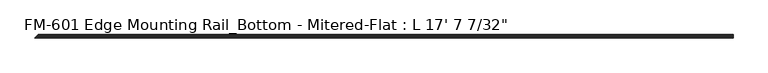
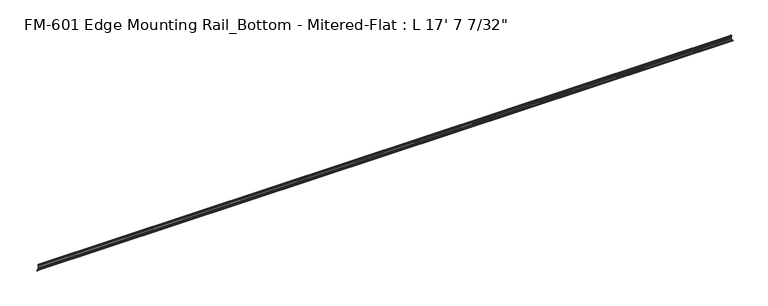
"""IFC4 building model written with IfcOpenShell, lengths in millimetres: proxy geometry."""

from ifc_helpers import new_model, si_unit, frame, origin, place, context, project, spatial, polyline, circle_curve, ellipse_curve, source, transform, mapped, element, save
from ifc_brep_helpers import plane_surface, cylinder_surface, revolved_surface, advanced_brep


def proxy_05e19847(model_context):
    return source(origin(), model_context, "Body", "AdvancedBrep", [
        advanced_brep(
        [(5364.95625, 13.6400687, 32.1158903), (5364.95625, 11.9462301, 30.7938136), (5364.95625, 13.6400687, 26.2967369), (5364.95625, 15.4364113, 25.7360779), (5364.95625, 16.1779173, 26.4138515), (5364.95625, 16.9376166, 27.3612928), (5364.95625, 17.4625, 26.8535734), (5364.95625, 17.4625, 15.6659614), (5364.95625, 17.9716639, 14.7485418), (5364.95625, 17.9716639, 13.408381), (5364.95625, 17.4625, 12.4909614), (5364.95625, 17.4625, 3.5152595), (5364.95625, 15.5573314, 1.6102595), (5364.95625, 6.3856306, 1.6018072), (5364.95625, 3.2106953, 1.5874515), (5364.95625, -1.2463178, 1.5874515), (5364.95625, -4.3959178, 1.5874515), (5364.95625, -8.2663259, 1.5874515), (5364.95625, -8.2663259, 0.0), (5364.95625, 19.05, 0.0), (5364.95625, 19.05, 29.1395734), (5364.95625, 17.7424378, 29.1395734), (5364.95625, 16.1549378, 30.7270734), (5364.95625, 16.1549378, 32.2686835), (5364.95625, 15.4750158, 32.6885982), (23.7413417, 15.4750158, 32.6885982), (21.9063946, 13.6400687, 32.1158903), (24.4212637, 16.1549378, 32.2686835), (24.4212637, 16.1549378, 30.7270734), (26.0087637, 17.7424378, 29.1395734), (27.3163259, 19.05, 29.1395734), (27.3163259, 19.05, 0.0), (0.0, -8.2663259, 0.0), (25.7288259, 17.4625, 3.5152595), (23.8236573, 15.5573314, 1.6102595), (25.7288259, 17.4625, 12.4909614), (26.2379898, 17.9716639, 13.408381), (26.2379898, 17.9716639, 14.7485418), (25.7288259, 17.4625, 15.6659614), (25.7288259, 17.4625, 26.8535734), (25.2039425, 16.9376166, 27.3612928), (24.4442432, 16.1779173, 26.4138515), (23.7027372, 15.4364113, 25.7360779), (21.9063946, 13.6400687, 26.2967369), (20.2125559, 11.9462301, 30.7938136), (14.6519565, 6.3856306, 1.6018072), (11.4770211, 3.2106953, 1.5874515), (0.0, -8.2663259, 1.5874515), (3.8704081, -4.3959178, 1.5874515), (7.0200081, -1.2463178, 1.5874515)],
        [
            (0, 1, circle_curve(frame((5364.95625, 14.5481808, 29.2063136), z_axis=(1.0, 0.0, 0.0), x_axis=(0.0, -1.0, 0.0)), 3.048)),
            (1, 2, circle_curve(frame((5364.95625, 14.5481808, 29.2063136), z_axis=(1.0, 0.0, 0.0), x_axis=(0.0, -1.0, 0.0)), 3.048)),
            (2, 3),
            (3, 4, circle_curve(frame((5364.95625, 15.6245238, 26.2747792), z_axis=(1.0, 0.0, 0.0), x_axis=(0.0, -1.0, 0.0)), 0.5706009)),
            (4, 5, circle_curve(frame((5364.95625, 16.9169378, 26.5995734), z_axis=(-1.0, 0.0, 0.0), x_axis=(0.0, -1.0, 0.0)), 0.762)),
            (5, 6, circle_curve(frame((5364.95625, 16.9545, 26.8535734), z_axis=(-1.0, 0.0, 0.0), x_axis=(0.0, -1.0, 0.0)), 0.508)),
            (6, 7),
            (7, 8),
            (8, 9),
            (9, 10),
            (10, 11),
            (11, 12, circle_curve(frame((5364.95625, 15.5575, 3.5152595), z_axis=(-1.0, 0.0, 0.0), x_axis=(0.0, -1.0, 0.0)), 1.905)),
            (12, 13),
            (13, 14, circle_curve(frame((5364.95625, 4.7981954, 1.5874515), z_axis=(1.0, 0.0, 0.0), x_axis=(0.0, -1.0, 0.0)), 1.5875001)),
            (14, 15),
            (15, 16, circle_curve(frame((5364.95625, -2.8211178, 1.5874515), z_axis=(1.0, 0.0, 0.0), x_axis=(0.0, -1.0, 0.0)), 1.5748)),
            (16, 17),
            (17, 18),
            (18, 19),
            (19, 20),
            (20, 21),
            (21, 22, circle_curve(frame((5364.95625, 17.7424378, 30.7270734), z_axis=(-1.0, 0.0, 0.0), x_axis=(0.0, -1.0, 0.0)), 1.5875)),
            (22, 23),
            (23, 24, circle_curve(frame((5364.95625, 15.6853088, 32.2686835), z_axis=(1.0, 0.0, 0.0), x_axis=(0.0, -1.0, 0.0)), 0.4696291)),
            (24, 0),
            (24, 25),
            (25, 26),
            (26, 0),
            (23, 27),
            (27, 25, ellipse_curve(frame((23.9516346, 15.6853088, 32.2686835), z_axis=(0.7071067811864319, -0.7071067811866631, 0.0), x_axis=(-0.7071067811866631, -0.7071067811864319, 0.0)), 0.6641558, 0.4696291)),
            (22, 28),
            (28, 27),
            (21, 29),
            (29, 28, ellipse_curve(frame((26.0087637, 17.7424378, 30.7270734), z_axis=(-0.7071067811864319, 0.7071067811866631, 0.0), x_axis=(0.7071067811866631, 0.7071067811864319, 0.0)), 2.245064, 1.5875)),
            (20, 30),
            (30, 29),
            (19, 31),
            (31, 30),
            (18, 32),
            (32, 31),
            (11, 33),
            (33, 34, ellipse_curve(frame((23.8238259, 15.5575, 3.5152595), z_axis=(-0.7071067811864319, 0.7071067811866631, 0.0), x_axis=(0.7071067811866631, 0.7071067811864319, 0.0)), 2.6940768, 1.905)),
            (34, 12),
            (10, 35),
            (35, 33),
            (9, 36),
            (36, 35),
            (8, 37),
            (37, 36),
            (7, 38),
            (38, 37),
            (6, 39),
            (39, 38),
            (5, 40),
            (40, 39, ellipse_curve(frame((25.2208259, 16.9545, 26.8535734), z_axis=(-0.7071067811864319, 0.7071067811866631, 0.0), x_axis=(0.7071067811866631, 0.7071067811864319, 0.0)), 0.7184205, 0.508)),
            (4, 41),
            (41, 40, ellipse_curve(frame((25.1832637, 16.9169378, 26.5995734), z_axis=(-0.7071067811864319, 0.7071067811866631, 0.0), x_axis=(0.7071067811866631, 0.7071067811864319, 0.0)), 1.0776307, 0.762)),
            (3, 42),
            (42, 41, ellipse_curve(frame((23.8908497, 15.6245238, 26.2747792), z_axis=(0.7071067811864319, -0.7071067811866631, 0.0), x_axis=(-0.7071067811866631, -0.7071067811864319, 0.0)), 0.8069516, 0.5706009)),
            (2, 43),
            (43, 42),
            (1, 44),
            (44, 43, ellipse_curve(frame((22.8145067, 14.5481808, 29.2063136), z_axis=(0.7071067811864319, -0.7071067811866631, 0.0), x_axis=(-0.7071067811866631, -0.7071067811864319, 0.0)), 4.3105229, 3.048)),
            (26, 44, ellipse_curve(frame((22.8145067, 14.5481808, 29.2063136), z_axis=(0.7071067811864319, -0.7071067811866631, 0.0), x_axis=(-0.7071067811866631, -0.7071067811864319, 0.0)), 4.3105229, 3.048)),
            (13, 45),
            (45, 46, ellipse_curve(frame((13.0645213, 4.7981954, 1.5874515), z_axis=(0.7071067811864319, -0.7071067811866631, 0.0), x_axis=(-0.7071067811866631, -0.7071067811864319, 0.0)), 2.2450642, 1.5875001)),
            (46, 14),
            (34, 45),
            (32, 47),
            (47, 48),
            (48, 49, ellipse_curve(frame((5.4452081, -2.8211178, 1.5874515), z_axis=(-0.7071067811864319, 0.7071067811866631, 0.0), x_axis=(-0.7071067811866631, -0.7071067811864319, 0.0)), 2.2271035, 1.5748)),
            (49, 46),
            (17, 47),
            (16, 48),
            (15, 49),
        ],
        [
            plane_surface(frame((5364.95625, 13.6400687, 32.1158903), z_axis=(1.0, 0.0, 0.0), x_axis=(0.0, -0.9545855229405114, -0.2979370393092986))),
            plane_surface(frame((0.0, 13.6400687, 32.1158903), z_axis=(0.0, -0.2979370393092986, 0.9545855229405114), x_axis=(1.0, 0.0, 0.0))),
            cylinder_surface(frame((5364.95625, 15.6853088, 32.2686835), z_axis=(-1.0, 0.0, 0.0), x_axis=(0.0, -1.0, 0.0)), 0.4696291),
            plane_surface(frame((0.0, 16.1549378, 32.2686835), z_axis=(0.0, 1.0, 0.0), x_axis=(1.0, 0.0, 0.0))),
            revolved_surface(polyline([(5364.95625, 16.154937800000003, 30.7270734), (24.421263700000054, 16.154937800000003, 30.7270734)]), (5364.95625, 17.7424378, 30.7270734), (1.0, 0.0, 0.0)),
            plane_surface(frame((0.0, 17.7424378, 29.1395734), z_axis=(0.0, 0.0, 1.0), x_axis=(1.0, 0.0, 0.0))),
            plane_surface(frame((0.0, 19.05, 29.1395734), z_axis=(0.0, 1.0, 0.0), x_axis=(1.0, 0.0, 0.0))),
            plane_surface(frame((0.0, 19.05, 0.0), z_axis=(0.0, 0.0, -1.0), x_axis=(1.0, 0.0, 0.0))),
            revolved_surface(polyline([(5364.95625, 13.6525, 3.5152595), (21.91882592568254, 13.6525, 3.5152595)]), (5364.95625, 15.5575, 3.5152595), (1.0, 0.0, 0.0)),
            plane_surface(frame((0.0, 17.4625, 3.5152595), z_axis=(0.0, -1.0, 0.0), x_axis=(1.0, 0.0, 0.0))),
            plane_surface(frame((0.0, 17.4625, 12.4909614), z_axis=(0.0, -0.8743650443659691, 0.48526875975164224), x_axis=(1.0, 0.0, 0.0))),
            plane_surface(frame((0.0, 17.9716639, 13.408381), z_axis=(0.0, -1.0, 0.0), x_axis=(1.0, 0.0, 0.0))),
            plane_surface(frame((0.0, 17.9716639, 14.7485418), z_axis=(0.0, -0.8743650443696134, -0.48526875974507594), x_axis=(1.0, 0.0, 0.0))),
            plane_surface(frame((0.0, 17.4625, 15.6659614), z_axis=(0.0, -1.0, 0.0), x_axis=(1.0, 0.0, 0.0))),
            revolved_surface(polyline([(5364.95625, 16.4465, 26.8535734), (24.71282589270595, 16.4465, 26.8535734)]), (5364.95625, 16.9545, 26.8535734), (1.0, 0.0, 0.0)),
            revolved_surface(polyline([(5364.95625, 16.1549378, 26.5995734), (24.42126372441453, 16.1549378, 26.5995734)]), (5364.95625, 16.9169378, 26.5995734), (1.0, 0.0, 0.0)),
            cylinder_surface(frame((5364.95625, 15.6245238, 26.2747792), z_axis=(-1.0, 0.0, 0.0), x_axis=(0.0, -1.0, 0.0)), 0.5706009),
            plane_surface(frame((0.0, 15.4364113, 25.7360779), z_axis=(0.0, -0.2979370393102276, -0.9545855229402215), x_axis=(1.0, 0.0, 0.0))),
            cylinder_surface(frame((5364.95625, 14.5481808, 29.2063136), z_axis=(-1.0, 0.0, 0.0), x_axis=(0.0, -1.0, 0.0)), 3.048),
            cylinder_surface(frame((5364.95625, 4.7981954, 1.5874515), z_axis=(-1.0, 0.0, 0.0), x_axis=(0.0, -1.0, 0.0)), 1.5875001),
            plane_surface(frame((0.0, 6.3856306, 1.6018072), z_axis=(0.0, -0.0009215592420675928, 0.9999995753641916), x_axis=(1.0, 0.0, 0.0))),
            plane_surface(frame((0.0, -8.2663259, 33.4603096), z_axis=(-0.7071067811864319, 0.7071067811866631, 0.0), x_axis=(0.0, 0.0, -1.0))),
            plane_surface(frame((0.0, -8.2663259, 0.0), z_axis=(0.0, -1.0, 0.0), x_axis=(1.0, 0.0, 0.0))),
            plane_surface(frame((0.0, -8.2663259, 1.5874515), z_axis=(0.0, 0.0, 1.0), x_axis=(1.0, 0.0, 0.0))),
            cylinder_surface(frame((5364.95625, -2.8211178, 1.5874515), z_axis=(-1.0, 0.0, 0.0), x_axis=(0.0, -1.0, 0.0)), 1.5748),
            plane_surface(frame((0.0, -1.2463178, 1.5874515), z_axis=(0.0, 0.0, 1.0), x_axis=(1.0, 0.0, 0.0))),
        ],
        [
            (0, [[1, 2, 3, 4, 5, 6, 7, 8, 9, 10, 11, 12, 13, 14, 15, 16, 17, 18, 19, 20, 21, 22, 23, 24, 25]]),
            (1, [[-25, 26, 27, 28]]),
            (2, [[-24, 29, 30, -26]]),
            (3, [[-23, 31, 32, -29]]),
            (4, [[-22, 33, 34, -31]]),
            (5, [[-21, 35, 36, -33]]),
            (6, [[-20, 37, 38, -35]]),
            (7, [[-19, 39, 40, -37]]),
            (8, [[-12, 41, 42, 43]]),
            (9, [[-11, 44, 45, -41]]),
            (10, [[-10, 46, 47, -44]]),
            (11, [[-9, 48, 49, -46]]),
            (12, [[-8, 50, 51, -48]]),
            (13, [[-7, 52, 53, -50]]),
            (14, [[-6, 54, 55, -52]]),
            (15, [[-5, 56, 57, -54]]),
            (16, [[-4, 58, 59, -56]]),
            (17, [[-3, 60, 61, -58]]),
            (18, [[-2, 62, 63, -60]]),
            (18, [[-1, -28, 64, -62]]),
            (19, [[-14, 65, 66, 67]]),
            (20, [[-13, -43, 68, -65]]),
            (21, [[-27, -30, -32, -34, -36, -38, -40, 69, 70, 71, 72, -66, -68, -42, -45, -47, -49, -51, -53, -55, -57, -59, -61, -63, -64]]),
            (22, [[-18, 73, -69, -39]]),
            (23, [[-17, 74, -70, -73]]),
            (24, [[-16, 75, -71, -74]]),
            (25, [[-15, -67, -72, -75]]),
        ],
    ),
    ])


if __name__ == "__main__":
    model = new_model("IFC4")
    model_context = context("Model", 3, world=origin())
    ifc_project = project(units=[si_unit("LENGTHUNIT", "METRE", prefix="MILLI")], contexts=[model_context])
    site = spatial("IfcSite", under=ifc_project)
    building = spatial("IfcBuilding", under=site)
    placement = place(None, origin())
    proxy_shape = proxy_05e19847(model_context)
    element("IfcBuildingElementProxy", 1, Name="FM-601 Edge Mounting Rail_Bottom - Mitered-Flat : L 17' 7 7/32\"", ObjectType="FM-601 Edge Mounting Rail_Bottom - Mitered-Flat : L 17' 7 7/32\"", at=placement, inside=building, context=model_context, shape_type="MappedRepresentation", body=[
        mapped(proxy_shape, transform((0.0, 0.0, 0.0), x_axis=(1.0, 0.0, 0.0), y_axis=(0.0, 1.0, 0.0), z_axis=(0.0, 0.0, 1.0))),
    ])
    save(model, "model.ifc")
